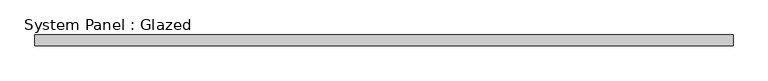
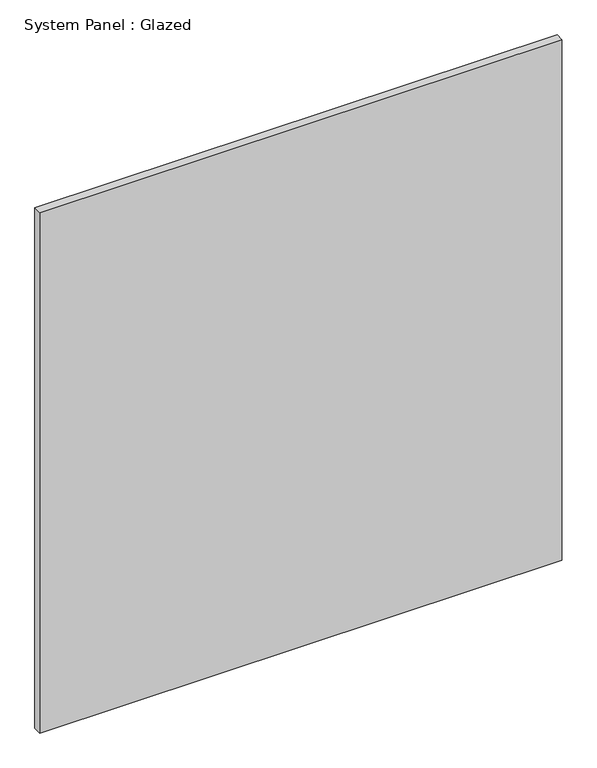
"""IFC4 building model written with IfcOpenShell, lengths in millimetres: plate geometry, System Panel : Glazed."""

import ifcopenshell
import ifcopenshell.guid

model = None  # the IFC model being written
_history = None  # IfcOwnerHistory: only IFC2X3 demands one
_inside = {}  # id of a spatial element -> (the spatial element, [elements in it])
_under = {}  # id of a project, library or spatial element -> (it, [spatial elements below it])
_declared = {}  # id of a project -> (the project, [libraries it declares])
_typed = {}  # id of a type object -> (the type object, [elements of that type])
_made_of = {}  # id of a material, layer set ... -> (it, [elements and type objects made of it])


def new_model(schema):
    """Start an empty IFC model of exactly this schema.

    Asked for "IFC4X3", IfcOpenShell would pick the latest addendum, in which some entities
    have other attributes; the version numbers below select the first issue.
    IFC2X3 requires an IfcOwnerHistory on every rooted entity: one is made here for all.
    """
    global model, _history
    if schema == "IFC4X3":
        model = ifcopenshell.file(schema_version=(4, 3, 0, 0))
    else:
        model = ifcopenshell.file(schema=schema)
    _inside.clear()
    _under.clear()
    _declared.clear()
    _typed.clear()
    _made_of.clear()
    _history = None
    if model.schema == "IFC2X3":
        org = make("IfcOrganization", Name="unknown")
        user = make(
            "IfcPersonAndOrganization",
            ThePerson=make("IfcPerson", FamilyName="unknown"),
            TheOrganization=org,
        )
        app = make(
            "IfcApplication",
            ApplicationDeveloper=org,
            Version="unknown",
            ApplicationFullName="unknown",
            ApplicationIdentifier="unknown",
        )
        _history = make(
            "IfcOwnerHistory",
            OwningUser=user,
            OwningApplication=app,
            ChangeAction="ADDED",
            CreationDate=0,
        )
    return model


def make(cls, **values):
    """One entity of the class cls with the attributes given. An attribute that is None is left unset."""
    return model.create_entity(
        cls, **{name: value for name, value in values.items() if value is not None}
    )


def rooted(cls, **values):
    """An entity with a GlobalId (a new one), such as an element, a storey or a relation."""
    return make(cls, GlobalId=ifcopenshell.guid.new(), OwnerHistory=_history, **values)


def si_unit(unit_type, name, prefix=None):
    """IfcSIUnit, for example si_unit("LENGTHUNIT", "METRE", prefix="MILLI")."""
    return make("IfcSIUnit", UnitType=unit_type, Prefix=prefix, Name=name)


def assignment(units):
    """IfcUnitAssignment: the units of a project."""
    return None if units is None else make("IfcUnitAssignment", Units=units)


def point(xyz):
    """IfcCartesianPoint."""
    return None if xyz is None else make("IfcCartesianPoint", Coordinates=xyz)


def direction(xyz):
    """IfcDirection."""
    return None if xyz is None else make("IfcDirection", DirectionRatios=xyz)


def frame(location, z_axis=None, x_axis=None):
    """IfcAxis2Placement3D, a coordinate frame: its origin and axes. An axis left out is left unset."""
    return make(
        "IfcAxis2Placement3D",
        Location=point(location),
        Axis=direction(z_axis),
        RefDirection=direction(x_axis),
    )


def origin():
    """The frame at (0, 0, 0) with its axes left unset."""
    return frame((0.0, 0.0, 0.0))


def origin_with_axes():
    """The frame at (0, 0, 0) with the z axis (0, 0, 1) and the x axis (1, 0, 0) written out."""
    return frame((0.0, 0.0, 0.0), z_axis=(0.0, 0.0, 1.0), x_axis=(1.0, 0.0, 0.0))


def place(relative_to, where):
    """IfcLocalPlacement: puts the frame where relative to a parent placement (None: the world)."""
    return make(
        "IfcLocalPlacement", PlacementRelTo=relative_to, RelativePlacement=where
    )


def context(
    kind, dimensions, precision=None, world=None, true_north=None, identifier=None
):
    """IfcGeometricRepresentationContext, for example the 3D "Model" context."""
    return make(
        "IfcGeometricRepresentationContext",
        ContextIdentifier=identifier,
        ContextType=kind,
        CoordinateSpaceDimension=dimensions,
        Precision=precision,
        WorldCoordinateSystem=world,
        TrueNorth=true_north,
    )


def project(units=None, contexts=None):
    """IfcProject with its units and contexts."""
    return rooted(
        "IfcProject",
        Name="project",
        RepresentationContexts=contexts,
        UnitsInContext=assignment(units),
    )


def spatial(cls, under=None, at=None, **own):
    """A site, building, storey or space (cls), placed at a placement, below another one or the project."""
    s = rooted(cls, ObjectPlacement=at, **own)
    if under is not None:
        _under.setdefault(under.id(), (under, []))[1].append(s)
    return s


def polyline(points):
    """IfcPolyline through the points."""
    return make("IfcPolyline", Points=[point(p) for p in points])


def outline(outer, holes=None, kind="AREA"):
    """IfcArbitraryClosedProfileDef: a profile drawn as a closed curve; with holes, ...WithVoids."""
    if holes is None:
        return make("IfcArbitraryClosedProfileDef", ProfileType=kind, OuterCurve=outer)
    return make(
        "IfcArbitraryProfileDefWithVoids",
        ProfileType=kind,
        OuterCurve=outer,
        InnerCurves=holes,
    )


def extrude(swept, where, along, depth):
    """IfcExtrudedAreaSolid: the profile swept, set in the frame where, extruded along a direction by depth."""
    return make(
        "IfcExtrudedAreaSolid",
        SweptArea=swept,
        Position=where,
        ExtrudedDirection=direction(along),
        Depth=depth,
    )


def shape(context_of_items, identifier, shape_type, items):
    """IfcShapeRepresentation: the items that make up one representation, for example the "Body"."""
    return make(
        "IfcShapeRepresentation",
        ContextOfItems=context_of_items,
        RepresentationIdentifier=identifier,
        RepresentationType=shape_type,
        Items=items,
    )


def source(mapping_origin, context_of_items, identifier, shape_type, items):
    """IfcRepresentationMap: a shape defined once, which mapped items show again and again."""
    return make(
        "IfcRepresentationMap",
        MappingOrigin=mapping_origin,
        MappedRepresentation=shape(context_of_items, identifier, shape_type, items),
    )


def transform(
    local_origin,
    x_axis=None,
    y_axis=None,
    z_axis=None,
    scale=None,
    scale2=None,
    scale3=None,
    uniform=True,
):
    """IfcCartesianTransformationOperator3D, or its non-uniform kind. x_axis, y_axis, z_axis: its Axis1, 2, 3."""
    if uniform:
        return make(
            "IfcCartesianTransformationOperator3D",
            Axis1=direction(x_axis),
            Axis2=direction(y_axis),
            LocalOrigin=point(local_origin),
            Scale=scale,
            Axis3=direction(z_axis),
        )
    return make(
        "IfcCartesianTransformationOperator3DnonUniform",
        Axis1=direction(x_axis),
        Axis2=direction(y_axis),
        LocalOrigin=point(local_origin),
        Scale=scale,
        Axis3=direction(z_axis),
        Scale2=scale2,
        Scale3=scale3,
    )


def mapped(mapping_source, mapping_target):
    """IfcMappedItem: shows the shape of a source again, moved by a transform."""
    return make(
        "IfcMappedItem", MappingSource=mapping_source, MappingTarget=mapping_target
    )


def made_of(thing, what):
    """Note that an element or type object is made of a material, layer set ...; save() writes the relation."""
    if what is not None:
        _made_of.setdefault(what.id(), (what, []))[1].append(thing)
    return thing


def element(
    cls,
    number,
    at=None,
    inside=None,
    cuts=None,
    type_object=None,
    material=None,
    context=None,
    identifier="Body",
    shape_type=None,
    held_by="IfcProductDefinitionShape",
    body=None,
    shapes=None,
    **own,
):
    """One element of the class cls, such as IfcWall. Its Tag is "e" and its number.

    at: its placement. inside: the storey or other place that contains it. cuts: it is an
    opening in that element (IfcRelVoidsElement). A single representation is given by context,
    identifier, shape_type and body (its items); several are given by shapes. held_by: the class
    of the entity that holds the representations. save() writes the other relations.
    """
    e = rooted(cls, Tag="e%d" % number, ObjectPlacement=at, **own)
    if body is not None:
        shapes = [shape(context, identifier, shape_type, body)]
    if shapes is not None:
        e.Representation = make(held_by, Representations=shapes)
    if inside is not None:
        _inside.setdefault(inside.id(), (inside, []))[1].append(e)
    if cuts is not None:
        rooted(
            "IfcRelVoidsElement", RelatingBuildingElement=cuts, RelatedOpeningElement=e
        )
    if type_object is not None:
        _typed.setdefault(type_object.id(), (type_object, []))[1].append(e)
    return made_of(e, material)


def aggregate(whole, parts):
    """IfcRelAggregates: a whole, such as a stair, and the parts it consists of."""
    return rooted("IfcRelAggregates", RelatingObject=whole, RelatedObjects=parts)


def save(model, path):
    """Write the relations noted so far, then the file.

    IfcRelAggregates (storeys below a building ...), IfcRelContainedInSpatialStructure (elements
    in a storey), IfcRelDefinesByType, IfcRelAssociatesMaterial and IfcRelDeclares: one each for
    every whole, place, type object, material and project.
    """
    for whole, parts in _under.values():
        aggregate(whole, parts)
    for where, things in _inside.values():
        rooted(
            "IfcRelContainedInSpatialStructure",
            RelatedElements=things,
            RelatingStructure=where,
        )
    for kind, things in _typed.values():
        rooted("IfcRelDefinesByType", RelatedObjects=things, RelatingType=kind)
    for what, things in _made_of.values():
        rooted("IfcRelAssociatesMaterial", RelatedObjects=things, RelatingMaterial=what)
    for by, libraries in _declared.values():
        rooted("IfcRelDeclares", RelatingContext=by, RelatedDefinitions=libraries)
    model.write(path)


def system_panel_glazed_6b3da4e4(model_context):
    return source(origin(), model_context, "Body", "SweptSolid", [
        extrude(outline(polyline([(809.1455333, 24.5), (-809.1455333, 24.5), (-809.1455333, 49.5), (809.1455333, 49.5), (809.1455333, 24.5)])), origin_with_axes(), (0.0, 0.0, 1.0), 1705.0),
    ])


if __name__ == "__main__":
    model = new_model("IFC4")
    model_context = context("Model", 3, world=origin())
    ifc_project = project(units=[si_unit("LENGTHUNIT", "METRE", prefix="MILLI")], contexts=[model_context])
    site = spatial("IfcSite", under=ifc_project)
    building = spatial("IfcBuilding", under=site)
    placement = place(None, origin())
    system_panel_glazed_shape = system_panel_glazed_6b3da4e4(model_context)
    element("IfcPlate", 1, ObjectType="System Panel : Glazed", at=placement, inside=building, context=model_context, shape_type="MappedRepresentation", body=[
        mapped(system_panel_glazed_shape, transform((0.0, 0.0, 0.0), x_axis=(1.0, 0.0, 0.0), y_axis=(0.0, 1.0, 0.0), z_axis=(0.0, 0.0, 1.0))),
    ])
    save(model, "model.ifc")
